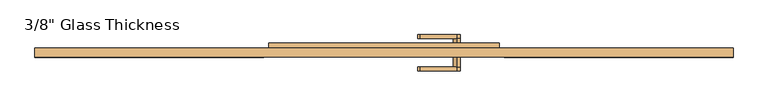
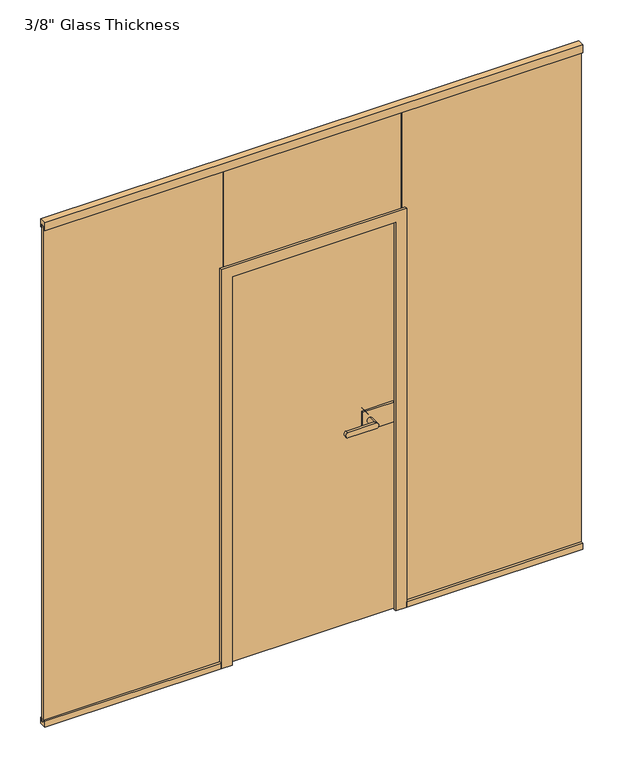
"""IFC4 building model written with IfcOpenShell, lengths in millimetres: door geometry."""

from ifc_helpers import new_model, si_unit, point, frame, frame_2d, origin, place, context, project, spatial, polyline, circle_curve, ellipse_curve, trimmed, segment, composite_curve, outline, extrude, faceted_brep, source, transform, mapped, element, save
from ifc_brep_helpers import plane_surface, cylinder_surface, extruded_surface, advanced_brep


def door_5509d1b6(model_context):
    return source(origin(), model_context, "Body", "SolidModel", [
        extrude(outline(composite_curve([segment(trimmed(circle_curve(frame_2d((910.0, 242.0)), 11.9886308), [point((921.9886308, 242.0))], [point((898.0113692, 242.0))], False, "CARTESIAN"), True, "CONTINUOUS"), segment(trimmed(circle_curve(frame_2d((910.0, 242.0)), 11.9886308), [point((898.0113692, 242.0))], [point((921.9886308, 242.0))], False, "CARTESIAN"), True, "CONTINUOUS")], self_intersect=False)), frame((0.0, -54.56, 0.0), z_axis=(0.0, 1.0, 0.0), x_axis=(0.0, 0.0, 1.0)), (0.0, 0.0, 1.0), 33.5),
        advanced_brep(
        [(242.0, -54.56, 921.9886308), (242.0, -54.56, 898.0113692), (120.3382074, -54.56, 898.0113692), (120.3382074, -54.56, 921.9886308), (242.0, -67.06, 921.9886308), (120.3382074, -67.06, 921.9886308), (120.3382074, -67.06, 898.0113692), (242.0, -67.06, 898.0113692)],
        [
            (0, 1, circle_curve(frame((242.0, -54.56, 910.0), z_axis=(0.0, 1.0, 0.0), x_axis=(0.0, 0.0, -1.0)), 11.9886308)),
            (1, 2),
            (2, 3, ellipse_curve(frame((120.3382074, -54.56, 910.0), z_axis=(0.0, 1.0, 0.0), x_axis=(0.0, 0.0, 1.0)), 11.9886308, 7.9050795)),
            (3, 0),
            (4, 5),
            (5, 6, ellipse_curve(frame((120.3382074, -67.06, 910.0), z_axis=(0.0, -1.0, 0.0), x_axis=(0.0, 0.0, 1.0)), 11.9886308, 7.9050795)),
            (6, 7),
            (7, 4, circle_curve(frame((242.0, -67.06, 910.0), z_axis=(0.0, -1.0, 0.0), x_axis=(0.0, 0.0, -1.0)), 11.9886308)),
            (3, 5),
            (4, 0),
            (2, 6),
            (1, 7),
        ],
        [
            plane_surface(frame((120.3382074, -54.56, 921.9886308), z_axis=(0.0, 1.0, 0.0), x_axis=(-1.0, 0.0, 0.0))),
            plane_surface(frame((120.3382074, -67.06, 921.9886308), z_axis=(0.0, -1.0, 0.0), x_axis=(1.0, 0.0, 0.0))),
            plane_surface(frame((242.0, -54.56, 921.9886308), z_axis=(0.0, 0.0, 1.0), x_axis=(0.0, -1.0, 0.0))),
            extruded_surface(trimmed(ellipse_curve(frame((120.3382074, -67.06, 910.0), z_axis=(0.0, -1.0, 0.0), x_axis=(0.0, 0.0, 1.0)), 11.9886308, 7.9050795), [point((120.3382074, -67.06, 921.9886308))], [point((120.3382074, -67.06, 898.0113692))], True, "CARTESIAN"), (0.0, -12.5, 0.0), 12.5),
            plane_surface(frame((120.3382074, -54.56, 898.0113692), z_axis=(0.0, 0.0, -1.0), x_axis=(0.0, -1.0, 0.0))),
            cylinder_surface(frame((242.0, -67.06, 910.0), z_axis=(0.0, 1.0, 0.0), x_axis=(0.0, 0.0, -1.0)), 11.9886308),
        ],
        [
            (0, [[1, 2, 3, 4]]),
            (1, [[5, 6, 7, 8]]),
            (2, [[9, -5, 10, -4]]),
            (3, [[11, -6, -9, -3]]),
            (4, [[12, -7, -11, -2]]),
            (5, [[-10, -8, -12, -1]]),
        ],
    ),
        extrude(outline(polyline([(346.0, -11.06), (346.0, -21.06), (212.0, -21.06), (212.0, -11.06), (346.0, -11.06)])), frame((0.0, 0.0, 865.0), z_axis=(0.0, 0.0, 1.0), x_axis=(1.0, 0.0, 0.0)), (0.0, 0.0, 1.0), 90.0),
        extrude(outline(polyline([(362.0, 6.94), (362.0, -3.06), (212.0, -3.06), (212.0, 6.94), (362.0, 6.94)])), frame((0.0, 0.0, 865.0), z_axis=(0.0, 0.0, 1.0), x_axis=(1.0, 0.0, 0.0)), (0.0, 0.0, 1.0), 90.0),
        advanced_brep(
        [(242.0, 6.94, 921.9886308), (242.0, 6.94, 898.0113692), (242.0, 40.4398825, 921.9886308), (242.0, 40.4398825, 898.0113692), (242.0, 52.9399695, 921.9886308), (242.0, 52.9399695, 898.0113692), (120.3382074, 52.9399695, 898.0113692), (120.3382074, 52.9399695, 921.9886308), (120.3382074, 40.4398825, 921.9886308), (120.3382074, 40.4398825, 898.0113692)],
        [
            (0, 1, circle_curve(frame((242.0, 6.94, 910.0), z_axis=(0.0, -1.0, 0.0), x_axis=(0.0, 0.0, -1.0)), 11.9886308)),
            (1, 0, circle_curve(frame((242.0, 6.94, 910.0), z_axis=(0.0, -1.0, 0.0), x_axis=(0.0, 0.0, -1.0)), 11.9886308)),
            (0, 2),
            (2, 3, circle_curve(frame((242.0, 40.4398825, 910.0), z_axis=(0.0, -1.0, 0.0), x_axis=(0.0, 0.0, -1.0)), 11.9886308)),
            (3, 1),
            (3, 2, circle_curve(frame((242.0, 40.4398825, 910.0), z_axis=(0.0, -1.0, 0.0), x_axis=(0.0, 0.0, -1.0)), 11.9886308)),
            (4, 5, circle_curve(frame((242.0, 52.9399695, 910.0), z_axis=(0.0, 1.0, 0.0), x_axis=(0.0, 0.0, -1.0)), 11.9886308)),
            (5, 6),
            (6, 7, ellipse_curve(frame((120.3382074, 52.9399695, 910.0), z_axis=(0.0, 1.0, 0.0), x_axis=(0.0, 0.0, 1.0)), 11.9886308, 7.9050795)),
            (7, 4),
            (2, 8),
            (8, 9, ellipse_curve(frame((120.3382074, 40.4398825, 910.0), z_axis=(0.0, -1.0, 0.0), x_axis=(0.0, 0.0, 1.0)), 11.9886308, 7.9050795)),
            (9, 3),
            (7, 8),
            (2, 4),
            (6, 9),
            (5, 3),
        ],
        [
            plane_surface(frame((242.0, 6.94, 898.0113692), z_axis=(0.0, -1.0, 0.0), x_axis=(-1.0, 0.0, 0.0))),
            cylinder_surface(frame((242.0, 6.94, 910.0), z_axis=(0.0, 1.0, 0.0), x_axis=(0.0, 0.0, -1.0)), 11.9886308),
            plane_surface(frame((120.3382074, 52.9399695, 921.9886308), z_axis=(0.0, 1.0, 0.0), x_axis=(-1.0, 0.0, 0.0))),
            plane_surface(frame((120.3382074, 40.4398825, 921.9886308), z_axis=(0.0, -1.0, 0.0), x_axis=(1.0, 0.0, 0.0))),
            plane_surface(frame((242.0, 52.9399695, 921.9886308), z_axis=(0.0, 0.0, 1.0), x_axis=(0.0, -1.0, 0.0))),
            extruded_surface(trimmed(ellipse_curve(frame((120.3382074, 40.4398825, 910.0), z_axis=(0.0, -1.0, 0.0), x_axis=(0.0, 0.0, 1.0)), 11.9886308, 7.9050795), [point((120.3382074, 40.4398825, 921.9886308))], [point((120.3382074, 40.4398825, 898.0113692))], True, "CARTESIAN"), (0.0, -12.500087000000004, 0.0), 12.500087000000004),
            plane_surface(frame((120.3382074, 52.9399695, 898.0113692), z_axis=(0.0, 0.0, -1.0), x_axis=(0.0, -1.0, 0.0))),
            cylinder_surface(frame((242.0, 40.4398825, 910.0), z_axis=(0.0, 1.0, 0.0), x_axis=(0.0, 0.0, -1.0)), 11.9886308),
        ],
        [
            (0, [[1, 2]]),
            (1, [[3, 4, 5, -1]]),
            (1, [[-5, 6, -3, -2]]),
            (2, [[7, 8, 9, 10]]),
            (3, [[-4, 11, 12, 13]]),
            (4, [[14, -11, 15, -10]]),
            (5, [[16, -12, -14, -9]]),
            (6, [[17, -13, -16, -8]]),
            (7, [[-15, -6, -17, -7]]),
        ],
    ),
        extrude(outline(polyline([(382.0, 0.0), (382.0, -10.0), (-382.0, -10.0), (-382.0, 0.0), (382.0, 0.0)])), frame((0.0, 0.0, 1807.2), z_axis=(0.0, 0.0, 1.0), x_axis=(1.0, 0.0, 0.0)), (0.0, 0.0, 1.0), 472.8),
        extrude(outline(polyline([(1160.5, 0.0), (1160.5, -10.0), (386.0, -10.0), (386.0, 0.0), (1160.5, 0.0)])), frame((0.0, 0.0, 13.0), z_axis=(0.0, 0.0, 1.0), x_axis=(1.0, 0.0, 0.0)), (0.0, 0.0, 1.0), 2267.0),
        extrude(outline(polyline([(-22.06, 0.0), (-22.06, 26.0), (-12.0, 26.0), (-12.0, 13.0), (0.0, 13.0), (0.0, 26.0), (7.94, 26.0), (7.94, 0.0), (-22.06, 0.0)])), frame((400.0, 0.0, 0.0), z_axis=(1.0, 0.0, 0.0), x_axis=(0.0, 1.0, 0.0)), (0.0, 0.0, 1.0), 760.5),
        extrude(outline(polyline([(-22.06, 2300.0), (7.94, 2300.0), (7.94, 2265.0), (0.0, 2265.0), (0.0, 2280.0), (-12.0, 2280.0), (-12.0, 2265.0), (-22.06, 2265.0), (-22.06, 2300.0)])), frame((-1160.5, 0.0, 0.0), z_axis=(1.0, 0.0, 0.0), x_axis=(0.0, 1.0, 0.0)), (0.0, 0.0, 1.0), 2321.0),
        extrude(outline(polyline([(-22.06, 0.0), (-22.06, 26.0), (-12.0, 26.0), (-12.0, 13.0), (0.0, 13.0), (0.0, 26.0), (7.94, 26.0), (7.94, 0.0), (-22.06, 0.0)])), frame((-1160.5, 0.0, 0.0), z_axis=(1.0, 0.0, 0.0), x_axis=(0.0, 1.0, 0.0)), (0.0, 0.0, 1.0), 760.5),
        extrude(outline(polyline([(-1160.5, 0.0), (-386.0, 0.0), (-386.0, -8.0), (-1160.5, -8.0), (-1160.5, 0.0)])), frame((0.0, 0.0, 13.0), z_axis=(0.0, 0.0, 1.0), x_axis=(1.0, 0.0, 0.0)), (0.0, 0.0, 1.0), 2267.0),
        faceted_brep([(-365.9, -11.06, 0.0), (-353.0, -11.06, 0.0), (-353.0, -22.06, 0.0), (-400.0, -22.06, 0.0), (-400.0, -10.0, 0.0), (-386.0, -10.0, 0.0), (-386.0, 0.0, 0.0), (-400.0, 0.0, 0.0), (-400.0, 7.94, 0.0), (-383.0, 7.94, 0.0), (-383.0, 25.94, 0.0), (-365.9, 25.94, 0.0), (365.9, -11.06, 0.0), (365.9, 25.94, 0.0), (383.0, 25.94, 0.0), (383.0, 7.94, 0.0), (400.0, 7.94, 0.0), (400.0, 0.0, 0.0), (386.0, 0.0, 0.0), (386.0, -10.0, 0.0), (400.0, -10.0, 0.0), (400.0, -22.06, 0.0), (353.0, -22.06, 0.0), (353.0, -11.06, 0.0), (353.0, -22.06, 1773.0), (353.0, -11.06, 1773.0), (400.0, -10.0, 1820.0), (400.0, -22.06, 1820.0), (386.0, 0.0, 1806.0), (386.0, -10.0, 1806.0), (400.0, 7.94, 1820.0), (400.0, 0.0, 1820.0), (383.0, 25.94, 1803.0), (383.0, 7.94, 1803.0), (365.9, -11.06, 1785.9), (365.9, 25.94, 1785.9), (-365.9, -11.06, 1785.9), (-353.0, -11.06, 1773.0), (-353.0, -22.06, 1773.0), (-400.0, -22.06, 1820.0), (-400.0, -10.0, 1820.0), (-386.0, -10.0, 1806.0), (-386.0, 0.0, 1806.0), (-400.0, 0.0, 1820.0), (-400.0, 7.94, 1820.0), (-383.0, 7.94, 1803.0), (-383.0, 25.94, 1803.0), (-365.9, 25.94, 1785.9)], [[[0, 1, 2, 3, 4, 5, 6, 7, 8, 9, 10, 11]], [[12, 13, 14, 15, 16, 17, 18, 19, 20, 21, 22, 23]], [[24, 25, 23, 22]], [[26, 27, 21, 20]], [[28, 29, 19, 18]], [[30, 31, 17, 16]], [[32, 33, 15, 14]], [[34, 35, 13, 12]], [[1, 0, 36, 34, 12, 23, 25, 37]], [[2, 1, 37, 38]], [[3, 2, 38, 24, 22, 21, 27, 39]], [[4, 3, 39, 40]], [[5, 4, 40, 26, 20, 19, 29, 41]], [[6, 5, 41, 42]], [[7, 6, 42, 28, 18, 17, 31, 43]], [[8, 7, 43, 44]], [[9, 8, 44, 30, 16, 15, 33, 45]], [[10, 9, 45, 46]], [[11, 10, 46, 32, 14, 13, 35, 47]], [[0, 11, 47, 36]], [[38, 37, 25, 24]], [[40, 39, 27, 26]], [[42, 41, 29, 28]], [[44, 43, 31, 30]], [[46, 45, 33, 32]], [[36, 47, 35, 34]]]),
        extrude(outline(polyline([(361.0, -3.06), (361.0, -11.06), (-362.0, -11.06), (-362.0, -3.06), (361.0, -3.06)])), frame((0.0, 0.0, 7.0), z_axis=(0.0, 0.0, 1.0), x_axis=(1.0, 0.0, 0.0)), (0.0, 0.0, 1.0), 1775.0),
    ])


if __name__ == "__main__":
    model = new_model("IFC4")
    model_context = context("Model", 3, world=origin())
    ifc_project = project(units=[si_unit("LENGTHUNIT", "METRE", prefix="MILLI")], contexts=[model_context])
    site = spatial("IfcSite", under=ifc_project)
    building = spatial("IfcBuilding", under=site)
    placement = place(None, origin())
    door_shape = door_5509d1b6(model_context)
    element("IfcDoor", 1, ObjectType="3/8\" Glass Thickness", at=placement, inside=building, context=model_context, shape_type="MappedRepresentation", body=[
        mapped(door_shape, transform((0.0, 0.0, 0.0), x_axis=(1.0, 0.0, 0.0), y_axis=(0.0, 1.0, 0.0), z_axis=(0.0, 0.0, 1.0))),
    ])
    save(model, "model.ifc")
